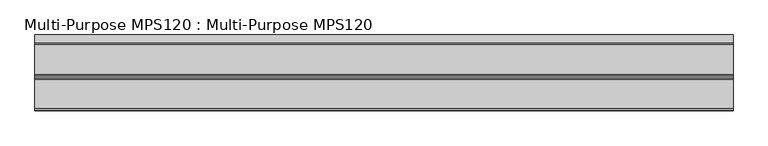
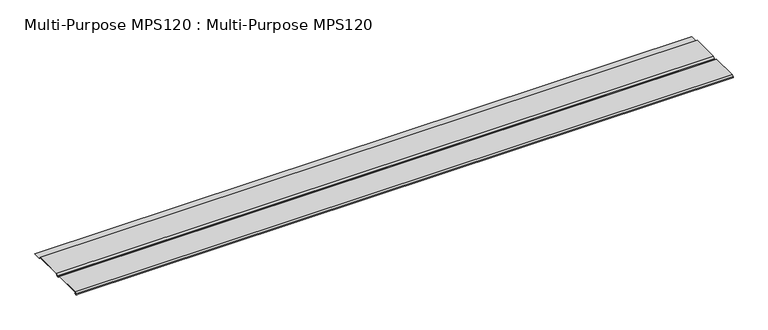
"""IFC4 building model written with IfcOpenShell, lengths in millimetres: proxy geometry, Multi-Purpose MPS120 : Multi-Purpose MPS120."""

import ifcopenshell
import ifcopenshell.guid

model = None  # the IFC model being written
_history = None  # IfcOwnerHistory: only IFC2X3 demands one
_inside = {}  # id of a spatial element -> (the spatial element, [elements in it])
_under = {}  # id of a project, library or spatial element -> (it, [spatial elements below it])
_declared = {}  # id of a project -> (the project, [libraries it declares])
_typed = {}  # id of a type object -> (the type object, [elements of that type])
_made_of = {}  # id of a material, layer set ... -> (it, [elements and type objects made of it])


def new_model(schema):
    """Start an empty IFC model of exactly this schema.

    Asked for "IFC4X3", IfcOpenShell would pick the latest addendum, in which some entities
    have other attributes; the version numbers below select the first issue.
    IFC2X3 requires an IfcOwnerHistory on every rooted entity: one is made here for all.
    """
    global model, _history
    if schema == "IFC4X3":
        model = ifcopenshell.file(schema_version=(4, 3, 0, 0))
    else:
        model = ifcopenshell.file(schema=schema)
    _inside.clear()
    _under.clear()
    _declared.clear()
    _typed.clear()
    _made_of.clear()
    _history = None
    if model.schema == "IFC2X3":
        org = make("IfcOrganization", Name="unknown")
        user = make(
            "IfcPersonAndOrganization",
            ThePerson=make("IfcPerson", FamilyName="unknown"),
            TheOrganization=org,
        )
        app = make(
            "IfcApplication",
            ApplicationDeveloper=org,
            Version="unknown",
            ApplicationFullName="unknown",
            ApplicationIdentifier="unknown",
        )
        _history = make(
            "IfcOwnerHistory",
            OwningUser=user,
            OwningApplication=app,
            ChangeAction="ADDED",
            CreationDate=0,
        )
    return model


def make(cls, **values):
    """One entity of the class cls with the attributes given. An attribute that is None is left unset."""
    return model.create_entity(
        cls, **{name: value for name, value in values.items() if value is not None}
    )


def rooted(cls, **values):
    """An entity with a GlobalId (a new one), such as an element, a storey or a relation."""
    return make(cls, GlobalId=ifcopenshell.guid.new(), OwnerHistory=_history, **values)


def si_unit(unit_type, name, prefix=None):
    """IfcSIUnit, for example si_unit("LENGTHUNIT", "METRE", prefix="MILLI")."""
    return make("IfcSIUnit", UnitType=unit_type, Prefix=prefix, Name=name)


def assignment(units):
    """IfcUnitAssignment: the units of a project."""
    return None if units is None else make("IfcUnitAssignment", Units=units)


def point(xyz):
    """IfcCartesianPoint."""
    return None if xyz is None else make("IfcCartesianPoint", Coordinates=xyz)


def direction(xyz):
    """IfcDirection."""
    return None if xyz is None else make("IfcDirection", DirectionRatios=xyz)


def frame(location, z_axis=None, x_axis=None):
    """IfcAxis2Placement3D, a coordinate frame: its origin and axes. An axis left out is left unset."""
    return make(
        "IfcAxis2Placement3D",
        Location=point(location),
        Axis=direction(z_axis),
        RefDirection=direction(x_axis),
    )


def frame_2d(location, x_axis=None):
    """IfcAxis2Placement2D, a coordinate frame in the plane: its origin and x axis."""
    return make(
        "IfcAxis2Placement2D", Location=point(location), RefDirection=direction(x_axis)
    )


def origin():
    """The frame at (0, 0, 0) with its axes left unset."""
    return frame((0.0, 0.0, 0.0))


def place(relative_to, where):
    """IfcLocalPlacement: puts the frame where relative to a parent placement (None: the world)."""
    return make(
        "IfcLocalPlacement", PlacementRelTo=relative_to, RelativePlacement=where
    )


def context(
    kind, dimensions, precision=None, world=None, true_north=None, identifier=None
):
    """IfcGeometricRepresentationContext, for example the 3D "Model" context."""
    return make(
        "IfcGeometricRepresentationContext",
        ContextIdentifier=identifier,
        ContextType=kind,
        CoordinateSpaceDimension=dimensions,
        Precision=precision,
        WorldCoordinateSystem=world,
        TrueNorth=true_north,
    )


def project(units=None, contexts=None):
    """IfcProject with its units and contexts."""
    return rooted(
        "IfcProject",
        Name="project",
        RepresentationContexts=contexts,
        UnitsInContext=assignment(units),
    )


def spatial(cls, under=None, at=None, **own):
    """A site, building, storey or space (cls), placed at a placement, below another one or the project."""
    s = rooted(cls, ObjectPlacement=at, **own)
    if under is not None:
        _under.setdefault(under.id(), (under, []))[1].append(s)
    return s


def polyline(points):
    """IfcPolyline through the points."""
    return make("IfcPolyline", Points=[point(p) for p in points])


def circle_curve(where, radius):
    """IfcCircle in the frame where."""
    return make("IfcCircle", Position=where, Radius=radius)


def trimmed(basis, trim1, trim2, sense, master):
    """IfcTrimmedCurve: the piece of a basis curve between two trims."""
    return make(
        "IfcTrimmedCurve",
        BasisCurve=basis,
        Trim1=trim1,
        Trim2=trim2,
        SenseAgreement=sense,
        MasterRepresentation=master,
    )


def segment(curve, same_sense, transition):
    """IfcCompositeCurveSegment."""
    return make(
        "IfcCompositeCurveSegment",
        Transition=transition,
        SameSense=same_sense,
        ParentCurve=curve,
    )


def composite_curve(segments, self_intersect=None):
    """IfcCompositeCurve: segments joined end to end."""
    return make("IfcCompositeCurve", Segments=segments, SelfIntersect=self_intersect)


def outline(outer, holes=None, kind="AREA"):
    """IfcArbitraryClosedProfileDef: a profile drawn as a closed curve; with holes, ...WithVoids."""
    if holes is None:
        return make("IfcArbitraryClosedProfileDef", ProfileType=kind, OuterCurve=outer)
    return make(
        "IfcArbitraryProfileDefWithVoids",
        ProfileType=kind,
        OuterCurve=outer,
        InnerCurves=holes,
    )


def extrude(swept, where, along, depth):
    """IfcExtrudedAreaSolid: the profile swept, set in the frame where, extruded along a direction by depth."""
    return make(
        "IfcExtrudedAreaSolid",
        SweptArea=swept,
        Position=where,
        ExtrudedDirection=direction(along),
        Depth=depth,
    )


def shape(context_of_items, identifier, shape_type, items):
    """IfcShapeRepresentation: the items that make up one representation, for example the "Body"."""
    return make(
        "IfcShapeRepresentation",
        ContextOfItems=context_of_items,
        RepresentationIdentifier=identifier,
        RepresentationType=shape_type,
        Items=items,
    )


def source(mapping_origin, context_of_items, identifier, shape_type, items):
    """IfcRepresentationMap: a shape defined once, which mapped items show again and again."""
    return make(
        "IfcRepresentationMap",
        MappingOrigin=mapping_origin,
        MappedRepresentation=shape(context_of_items, identifier, shape_type, items),
    )


def transform(
    local_origin,
    x_axis=None,
    y_axis=None,
    z_axis=None,
    scale=None,
    scale2=None,
    scale3=None,
    uniform=True,
):
    """IfcCartesianTransformationOperator3D, or its non-uniform kind. x_axis, y_axis, z_axis: its Axis1, 2, 3."""
    if uniform:
        return make(
            "IfcCartesianTransformationOperator3D",
            Axis1=direction(x_axis),
            Axis2=direction(y_axis),
            LocalOrigin=point(local_origin),
            Scale=scale,
            Axis3=direction(z_axis),
        )
    return make(
        "IfcCartesianTransformationOperator3DnonUniform",
        Axis1=direction(x_axis),
        Axis2=direction(y_axis),
        LocalOrigin=point(local_origin),
        Scale=scale,
        Axis3=direction(z_axis),
        Scale2=scale2,
        Scale3=scale3,
    )


def mapped(mapping_source, mapping_target):
    """IfcMappedItem: shows the shape of a source again, moved by a transform."""
    return make(
        "IfcMappedItem", MappingSource=mapping_source, MappingTarget=mapping_target
    )


def made_of(thing, what):
    """Note that an element or type object is made of a material, layer set ...; save() writes the relation."""
    if what is not None:
        _made_of.setdefault(what.id(), (what, []))[1].append(thing)
    return thing


def element(
    cls,
    number,
    at=None,
    inside=None,
    cuts=None,
    type_object=None,
    material=None,
    context=None,
    identifier="Body",
    shape_type=None,
    held_by="IfcProductDefinitionShape",
    body=None,
    shapes=None,
    **own,
):
    """One element of the class cls, such as IfcWall. Its Tag is "e" and its number.

    at: its placement. inside: the storey or other place that contains it. cuts: it is an
    opening in that element (IfcRelVoidsElement). A single representation is given by context,
    identifier, shape_type and body (its items); several are given by shapes. held_by: the class
    of the entity that holds the representations. save() writes the other relations.
    """
    e = rooted(cls, Tag="e%d" % number, ObjectPlacement=at, **own)
    if body is not None:
        shapes = [shape(context, identifier, shape_type, body)]
    if shapes is not None:
        e.Representation = make(held_by, Representations=shapes)
    if inside is not None:
        _inside.setdefault(inside.id(), (inside, []))[1].append(e)
    if cuts is not None:
        rooted(
            "IfcRelVoidsElement", RelatingBuildingElement=cuts, RelatedOpeningElement=e
        )
    if type_object is not None:
        _typed.setdefault(type_object.id(), (type_object, []))[1].append(e)
    return made_of(e, material)


def aggregate(whole, parts):
    """IfcRelAggregates: a whole, such as a stair, and the parts it consists of."""
    return rooted("IfcRelAggregates", RelatingObject=whole, RelatedObjects=parts)


def save(model, path):
    """Write the relations noted so far, then the file.

    IfcRelAggregates (storeys below a building ...), IfcRelContainedInSpatialStructure (elements
    in a storey), IfcRelDefinesByType, IfcRelAssociatesMaterial and IfcRelDeclares: one each for
    every whole, place, type object, material and project.
    """
    for whole, parts in _under.values():
        aggregate(whole, parts)
    for where, things in _inside.values():
        rooted(
            "IfcRelContainedInSpatialStructure",
            RelatedElements=things,
            RelatingStructure=where,
        )
    for kind, things in _typed.values():
        rooted("IfcRelDefinesByType", RelatedObjects=things, RelatingType=kind)
    for what, things in _made_of.values():
        rooted("IfcRelAssociatesMaterial", RelatedObjects=things, RelatingMaterial=what)
    for by, libraries in _declared.values():
        rooted("IfcRelDeclares", RelatingContext=by, RelatedDefinitions=libraries)
    model.write(path)


def multi_purpose_mps120_multi_purpose_mps120_0a445f88(model_context):
    return source(origin(), model_context, "Body", "SweptSolid", [
        extrude(outline(composite_curve([segment(polyline([(-194.6928252, 355.3740212), (-190.0225221, 357.0838693)]), True, "CONTINUOUS"), segment(trimmed(circle_curve(frame_2d((-189.4112556, 355.4142474)), 1.778), [point((-190.0225221, 357.0838693))], [point((-188.9914179, 357.1419685))], False, "CARTESIAN"), True, "CONTINUOUS"), segment(polyline([(-188.9914179, 357.1419685), (-186.2919798, 356.4860028), (-186.4839056, 355.6961874), (-189.468001, 356.4213251), (-194.4133891, 354.6107655)]), True, "CONTINUOUS"), segment(trimmed(circle_curve(frame_2d((-195.0246556, 356.2803874)), 1.778), [point((-194.4133891, 354.6107655))], [point((-196.0946827, 357.7003613))], False, "CARTESIAN"), True, "CONTINUOUS"), segment(polyline([(-196.0946827, 357.7003613), (-188.7517773, 363.2336374), (-61.7517773, 363.2336374), (-53.0395773, 354.5214374), (-45.0639773, 354.5214374), (-36.3517773, 363.2336374), (90.6482227, 363.2336374), (99.3604227, 354.5214374), (134.6673444, 354.5214374), (134.6673444, 353.7086374), (99.0237499, 353.7086374), (90.3115499, 362.4208374), (-36.0151046, 362.4208374), (-44.7273046, 353.7086374), (-53.3762501, 353.7086374), (-62.0884501, 362.4208374), (-188.4798183, 362.4208374), (-195.6055274, 357.0512304)]), True, "CONTINUOUS"), segment(trimmed(circle_curve(frame_2d((-195.0246556, 356.2803874)), 0.9652), [point((-195.6055274, 357.0512304))], [point((-194.6928252, 355.3740212))], True, "CARTESIAN"), True, "CONTINUOUS")], self_intersect=False)), frame((-1102.2989423, 0.0, 0.0), z_axis=(1.0, 0.0, 0.0), x_axis=(0.0, 1.0, 0.0)), (0.0, 0.0, 1.0), 3048.0),
    ])


if __name__ == "__main__":
    model = new_model("IFC4")
    model_context = context("Model", 3, world=origin())
    ifc_project = project(units=[si_unit("LENGTHUNIT", "METRE", prefix="MILLI")], contexts=[model_context])
    site = spatial("IfcSite", under=ifc_project)
    building = spatial("IfcBuilding", under=site)
    placement = place(None, origin())
    multi_purpose_mps120_multi_purpose_mps120_shape = multi_purpose_mps120_multi_purpose_mps120_0a445f88(model_context)
    element("IfcBuildingElementProxy", 1, Name="Multi-Purpose MPS120 : Multi-Purpose MPS120", ObjectType="Multi-Purpose MPS120 : Multi-Purpose MPS120", at=placement, inside=building, context=model_context, shape_type="MappedRepresentation", body=[
        mapped(multi_purpose_mps120_multi_purpose_mps120_shape, transform((0.0, 0.0, 0.0), x_axis=(1.0, 0.0, 0.0), y_axis=(0.0, 1.0, 0.0), z_axis=(0.0, 0.0, 1.0))),
    ])
    save(model, "model.ifc")
